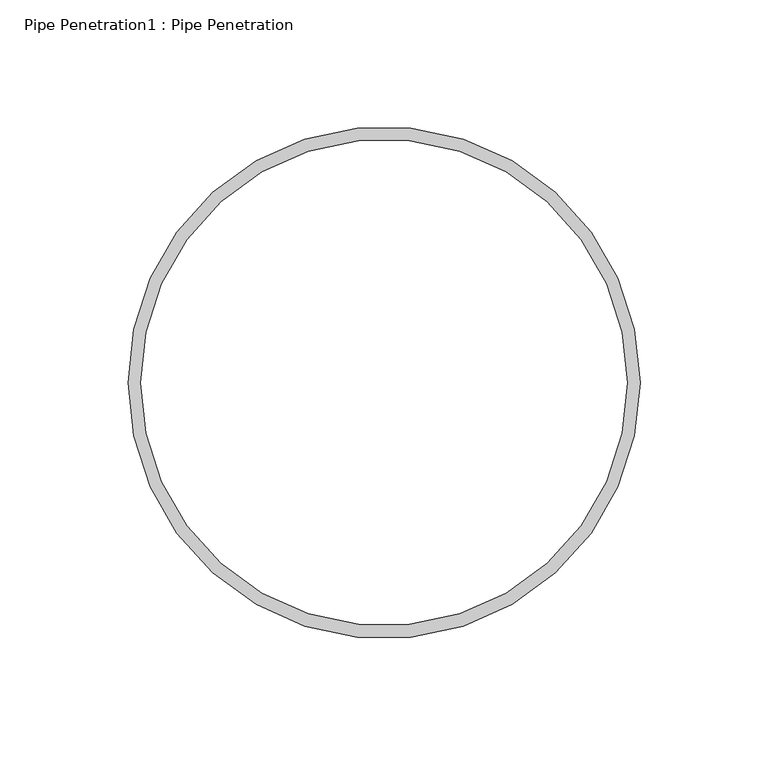
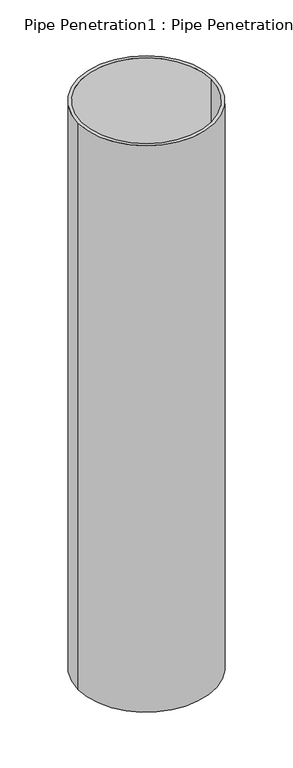
"""IFC4 building model written with IfcOpenShell, lengths in millimetres: furniture geometry, Pipe Penetration1 : Pipe Penetration."""

from ifc_helpers import new_model, si_unit, point, frame, frame_2d, origin, place, context, project, spatial, circle_curve, trimmed, segment, composite_curve, outline, extrude, source, transform, mapped, element, save


def pipe_penetration1_pipe_penetration_28b6099a(model_context):
    return source(origin(), model_context, "Body", "SweptSolid", [
        extrude(outline(composite_curve([segment(trimmed(circle_curve(frame_2d((4363.6885405, 3896.25)), 100.0), [point((4263.6885405, 3896.25))], [point((4463.6885405, 3896.25))], False, "CARTESIAN"), True, "CONTINUOUS"), segment(trimmed(circle_curve(frame_2d((4363.6885405, 3896.25)), 100.0), [point((4463.6885405, 3896.25))], [point((4263.6885405, 3896.25))], False, "CARTESIAN"), True, "CONTINUOUS")], self_intersect=False), holes=[composite_curve([segment(trimmed(circle_curve(frame_2d((4363.6885405, 3896.25)), 95.0), [point((4268.6885405, 3896.25))], [point((4458.6885405, 3896.25))], True, "CARTESIAN"), True, "CONTINUOUS"), segment(trimmed(circle_curve(frame_2d((4363.6885405, 3896.25)), 95.0), [point((4458.6885405, 3896.25))], [point((4268.6885405, 3896.25))], True, "CARTESIAN"), True, "CONTINUOUS")], self_intersect=False)]), frame((0.0, 0.0, 5644.9260593), z_axis=(0.0, 0.0, 1.0), x_axis=(1.0, 0.0, 0.0)), (0.0, 0.0, 1.0), 879.0866511),
    ])


if __name__ == "__main__":
    model = new_model("IFC4")
    model_context = context("Model", 3, world=origin())
    ifc_project = project(units=[si_unit("LENGTHUNIT", "METRE", prefix="MILLI")], contexts=[model_context])
    site = spatial("IfcSite", under=ifc_project)
    building = spatial("IfcBuilding", under=site)
    placement = place(None, origin())
    pipe_penetration1_pipe_penetration_shape = pipe_penetration1_pipe_penetration_28b6099a(model_context)
    element("IfcFurniture", 1, ObjectType="Pipe Penetration1 : Pipe Penetration", at=placement, inside=building, context=model_context, shape_type="MappedRepresentation", body=[
        mapped(pipe_penetration1_pipe_penetration_shape, transform((0.0, 0.0, 0.0), x_axis=(1.0, 0.0, 0.0), y_axis=(0.0, 1.0, 0.0), z_axis=(0.0, 0.0, 1.0))),
    ])
    save(model, "model.ifc")
